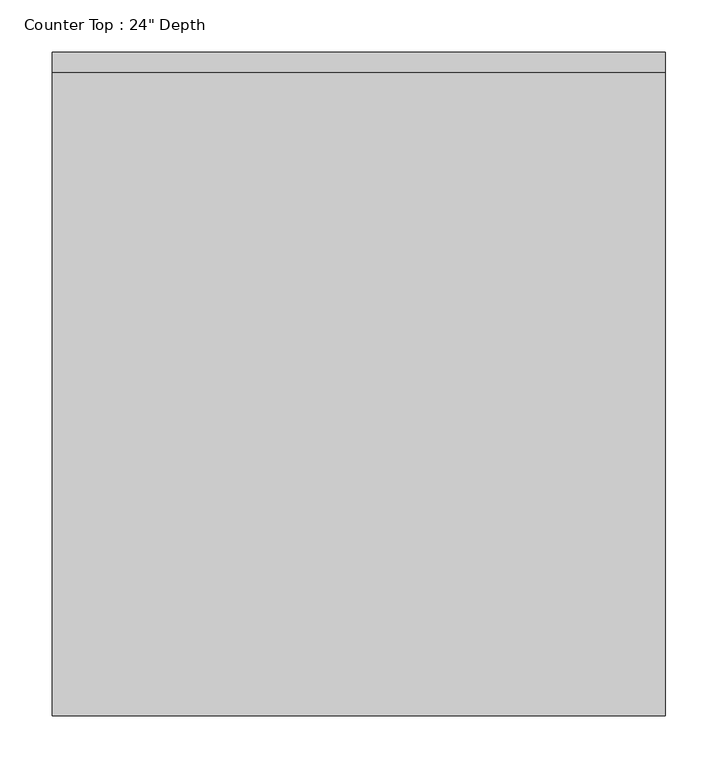
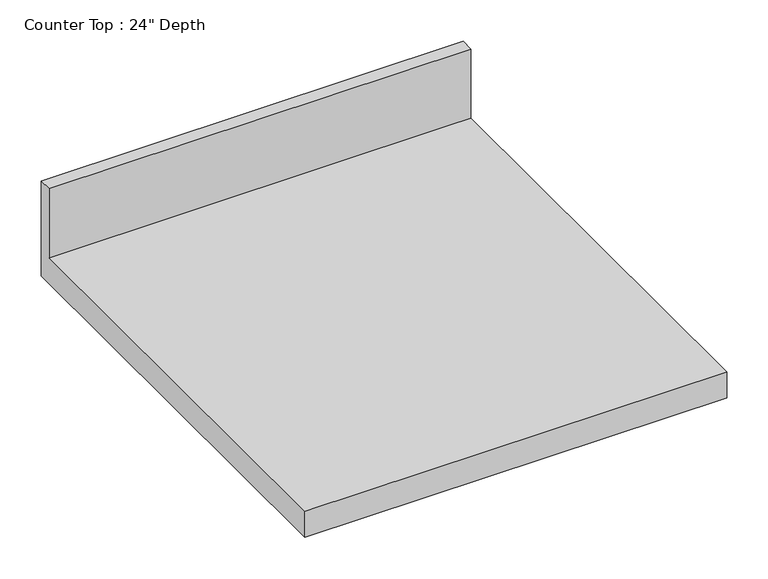
"""IFC4 building model written with IfcOpenShell, lengths in millimetres: furniture geometry."""

import ifcopenshell
import ifcopenshell.guid

model = None  # the IFC model being written
_history = None  # IfcOwnerHistory: only IFC2X3 demands one
_inside = {}  # id of a spatial element -> (the spatial element, [elements in it])
_under = {}  # id of a project, library or spatial element -> (it, [spatial elements below it])
_declared = {}  # id of a project -> (the project, [libraries it declares])
_typed = {}  # id of a type object -> (the type object, [elements of that type])
_made_of = {}  # id of a material, layer set ... -> (it, [elements and type objects made of it])


def new_model(schema):
    """Start an empty IFC model of exactly this schema.

    Asked for "IFC4X3", IfcOpenShell would pick the latest addendum, in which some entities
    have other attributes; the version numbers below select the first issue.
    IFC2X3 requires an IfcOwnerHistory on every rooted entity: one is made here for all.
    """
    global model, _history
    if schema == "IFC4X3":
        model = ifcopenshell.file(schema_version=(4, 3, 0, 0))
    else:
        model = ifcopenshell.file(schema=schema)
    _inside.clear()
    _under.clear()
    _declared.clear()
    _typed.clear()
    _made_of.clear()
    _history = None
    if model.schema == "IFC2X3":
        org = make("IfcOrganization", Name="unknown")
        user = make(
            "IfcPersonAndOrganization",
            ThePerson=make("IfcPerson", FamilyName="unknown"),
            TheOrganization=org,
        )
        app = make(
            "IfcApplication",
            ApplicationDeveloper=org,
            Version="unknown",
            ApplicationFullName="unknown",
            ApplicationIdentifier="unknown",
        )
        _history = make(
            "IfcOwnerHistory",
            OwningUser=user,
            OwningApplication=app,
            ChangeAction="ADDED",
            CreationDate=0,
        )
    return model


def make(cls, **values):
    """One entity of the class cls with the attributes given. An attribute that is None is left unset."""
    return model.create_entity(
        cls, **{name: value for name, value in values.items() if value is not None}
    )


def rooted(cls, **values):
    """An entity with a GlobalId (a new one), such as an element, a storey or a relation."""
    return make(cls, GlobalId=ifcopenshell.guid.new(), OwnerHistory=_history, **values)


def si_unit(unit_type, name, prefix=None):
    """IfcSIUnit, for example si_unit("LENGTHUNIT", "METRE", prefix="MILLI")."""
    return make("IfcSIUnit", UnitType=unit_type, Prefix=prefix, Name=name)


def assignment(units):
    """IfcUnitAssignment: the units of a project."""
    return None if units is None else make("IfcUnitAssignment", Units=units)


def point(xyz):
    """IfcCartesianPoint."""
    return None if xyz is None else make("IfcCartesianPoint", Coordinates=xyz)


def direction(xyz):
    """IfcDirection."""
    return None if xyz is None else make("IfcDirection", DirectionRatios=xyz)


def frame(location, z_axis=None, x_axis=None):
    """IfcAxis2Placement3D, a coordinate frame: its origin and axes. An axis left out is left unset."""
    return make(
        "IfcAxis2Placement3D",
        Location=point(location),
        Axis=direction(z_axis),
        RefDirection=direction(x_axis),
    )


def origin():
    """The frame at (0, 0, 0) with its axes left unset."""
    return frame((0.0, 0.0, 0.0))


def place(relative_to, where):
    """IfcLocalPlacement: puts the frame where relative to a parent placement (None: the world)."""
    return make(
        "IfcLocalPlacement", PlacementRelTo=relative_to, RelativePlacement=where
    )


def context(
    kind, dimensions, precision=None, world=None, true_north=None, identifier=None
):
    """IfcGeometricRepresentationContext, for example the 3D "Model" context."""
    return make(
        "IfcGeometricRepresentationContext",
        ContextIdentifier=identifier,
        ContextType=kind,
        CoordinateSpaceDimension=dimensions,
        Precision=precision,
        WorldCoordinateSystem=world,
        TrueNorth=true_north,
    )


def project(units=None, contexts=None):
    """IfcProject with its units and contexts."""
    return rooted(
        "IfcProject",
        Name="project",
        RepresentationContexts=contexts,
        UnitsInContext=assignment(units),
    )


def spatial(cls, under=None, at=None, **own):
    """A site, building, storey or space (cls), placed at a placement, below another one or the project."""
    s = rooted(cls, ObjectPlacement=at, **own)
    if under is not None:
        _under.setdefault(under.id(), (under, []))[1].append(s)
    return s


def polyline(points):
    """IfcPolyline through the points."""
    return make("IfcPolyline", Points=[point(p) for p in points])


def outline(outer, holes=None, kind="AREA"):
    """IfcArbitraryClosedProfileDef: a profile drawn as a closed curve; with holes, ...WithVoids."""
    if holes is None:
        return make("IfcArbitraryClosedProfileDef", ProfileType=kind, OuterCurve=outer)
    return make(
        "IfcArbitraryProfileDefWithVoids",
        ProfileType=kind,
        OuterCurve=outer,
        InnerCurves=holes,
    )


def extrude(swept, where, along, depth):
    """IfcExtrudedAreaSolid: the profile swept, set in the frame where, extruded along a direction by depth."""
    return make(
        "IfcExtrudedAreaSolid",
        SweptArea=swept,
        Position=where,
        ExtrudedDirection=direction(along),
        Depth=depth,
    )


def shape(context_of_items, identifier, shape_type, items):
    """IfcShapeRepresentation: the items that make up one representation, for example the "Body"."""
    return make(
        "IfcShapeRepresentation",
        ContextOfItems=context_of_items,
        RepresentationIdentifier=identifier,
        RepresentationType=shape_type,
        Items=items,
    )


def source(mapping_origin, context_of_items, identifier, shape_type, items):
    """IfcRepresentationMap: a shape defined once, which mapped items show again and again."""
    return make(
        "IfcRepresentationMap",
        MappingOrigin=mapping_origin,
        MappedRepresentation=shape(context_of_items, identifier, shape_type, items),
    )


def transform(
    local_origin,
    x_axis=None,
    y_axis=None,
    z_axis=None,
    scale=None,
    scale2=None,
    scale3=None,
    uniform=True,
):
    """IfcCartesianTransformationOperator3D, or its non-uniform kind. x_axis, y_axis, z_axis: its Axis1, 2, 3."""
    if uniform:
        return make(
            "IfcCartesianTransformationOperator3D",
            Axis1=direction(x_axis),
            Axis2=direction(y_axis),
            LocalOrigin=point(local_origin),
            Scale=scale,
            Axis3=direction(z_axis),
        )
    return make(
        "IfcCartesianTransformationOperator3DnonUniform",
        Axis1=direction(x_axis),
        Axis2=direction(y_axis),
        LocalOrigin=point(local_origin),
        Scale=scale,
        Axis3=direction(z_axis),
        Scale2=scale2,
        Scale3=scale3,
    )


def mapped(mapping_source, mapping_target):
    """IfcMappedItem: shows the shape of a source again, moved by a transform."""
    return make(
        "IfcMappedItem", MappingSource=mapping_source, MappingTarget=mapping_target
    )


def made_of(thing, what):
    """Note that an element or type object is made of a material, layer set ...; save() writes the relation."""
    if what is not None:
        _made_of.setdefault(what.id(), (what, []))[1].append(thing)
    return thing


def element(
    cls,
    number,
    at=None,
    inside=None,
    cuts=None,
    type_object=None,
    material=None,
    context=None,
    identifier="Body",
    shape_type=None,
    held_by="IfcProductDefinitionShape",
    body=None,
    shapes=None,
    **own,
):
    """One element of the class cls, such as IfcWall. Its Tag is "e" and its number.

    at: its placement. inside: the storey or other place that contains it. cuts: it is an
    opening in that element (IfcRelVoidsElement). A single representation is given by context,
    identifier, shape_type and body (its items); several are given by shapes. held_by: the class
    of the entity that holds the representations. save() writes the other relations.
    """
    e = rooted(cls, Tag="e%d" % number, ObjectPlacement=at, **own)
    if body is not None:
        shapes = [shape(context, identifier, shape_type, body)]
    if shapes is not None:
        e.Representation = make(held_by, Representations=shapes)
    if inside is not None:
        _inside.setdefault(inside.id(), (inside, []))[1].append(e)
    if cuts is not None:
        rooted(
            "IfcRelVoidsElement", RelatingBuildingElement=cuts, RelatedOpeningElement=e
        )
    if type_object is not None:
        _typed.setdefault(type_object.id(), (type_object, []))[1].append(e)
    return made_of(e, material)


def aggregate(whole, parts):
    """IfcRelAggregates: a whole, such as a stair, and the parts it consists of."""
    return rooted("IfcRelAggregates", RelatingObject=whole, RelatedObjects=parts)


def save(model, path):
    """Write the relations noted so far, then the file.

    IfcRelAggregates (storeys below a building ...), IfcRelContainedInSpatialStructure (elements
    in a storey), IfcRelDefinesByType, IfcRelAssociatesMaterial and IfcRelDeclares: one each for
    every whole, place, type object, material and project.
    """
    for whole, parts in _under.values():
        aggregate(whole, parts)
    for where, things in _inside.values():
        rooted(
            "IfcRelContainedInSpatialStructure",
            RelatedElements=things,
            RelatingStructure=where,
        )
    for kind, things in _typed.values():
        rooted("IfcRelDefinesByType", RelatedObjects=things, RelatingType=kind)
    for what, things in _made_of.values():
        rooted("IfcRelAssociatesMaterial", RelatedObjects=things, RelatingMaterial=what)
    for by, libraries in _declared.values():
        rooted("IfcRelDeclares", RelatingContext=by, RelatedDefinitions=libraries)
    model.write(path)


def furniture_041b2f93(model_context):
    return source(origin(), model_context, "Body", "SweptSolid", [
        extrude(outline(polyline([(0.0, 1016.0), (0.0, 876.3), (-635.0, 876.3), (-635.0, 914.4), (-19.05, 914.4), (-19.05, 1016.0), (0.0, 1016.0)])), frame((-1200.4622951, 0.0, 0.0), z_axis=(1.0, 0.0, 0.0), x_axis=(0.0, 1.0, 0.0)), (0.0, 0.0, 1.0), 586.6944964),
    ])


if __name__ == "__main__":
    model = new_model("IFC4")
    model_context = context("Model", 3, world=origin())
    ifc_project = project(units=[si_unit("LENGTHUNIT", "METRE", prefix="MILLI")], contexts=[model_context])
    site = spatial("IfcSite", under=ifc_project)
    building = spatial("IfcBuilding", under=site)
    placement = place(None, origin())
    furniture_shape = furniture_041b2f93(model_context)
    element("IfcFurniture", 1, ObjectType="Counter Top : 24\" Depth", at=placement, inside=building, context=model_context, shape_type="MappedRepresentation", body=[
        mapped(furniture_shape, transform((0.0, 0.0, 0.0), x_axis=(1.0, 0.0, 0.0), y_axis=(0.0, 1.0, 0.0), z_axis=(0.0, 0.0, 1.0))),
    ])
    save(model, "model.ifc")
